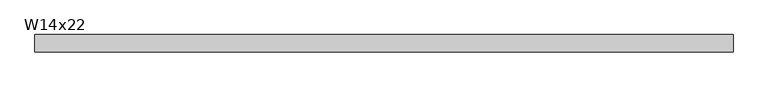
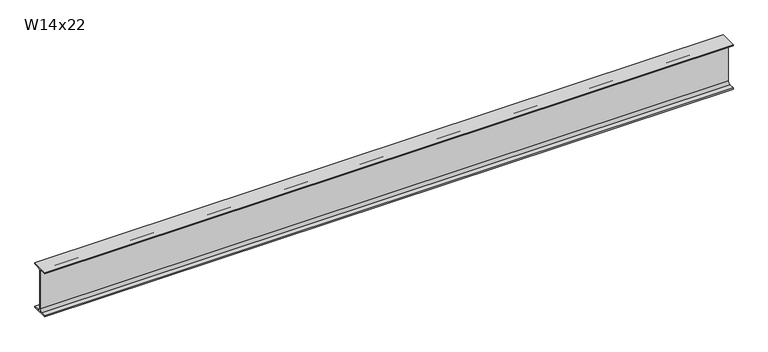
"""IFC4 building model written with IfcOpenShell, lengths in millimetres: beam geometry, W14x22."""

from ifc_helpers import new_model, si_unit, point, frame, frame_2d, origin, place, context, project, spatial, polyline, circle_curve, trimmed, segment, composite_curve, outline, extrude, source, transform, mapped, element, save


def w14x22_d169bc35(model_context):
    return source(origin(), model_context, "Body", "SweptSolid", [
        extrude(outline(composite_curve([segment(polyline([(63.5, -165.481), (63.5, -173.99), (-63.5, -173.99), (-63.5, -165.481), (-21.3995, -165.481)]), True, "CONTINUOUS"), segment(trimmed(circle_curve(frame_2d((-21.3995, -147.0025)), 18.4785), [point((-21.3995, -165.481))], [point((-2.921, -147.0025))], True, "CARTESIAN"), True, "CONTINUOUS"), segment(polyline([(-2.921, -147.0025), (-2.921, 147.0025)]), True, "CONTINUOUS"), segment(trimmed(circle_curve(frame_2d((-21.3995, 147.0025)), 18.4785), [point((-2.921, 147.0025))], [point((-21.3995, 165.481))], True, "CARTESIAN"), True, "CONTINUOUS"), segment(polyline([(-21.3995, 165.481), (-63.5, 165.481), (-63.5, 173.99), (63.5, 173.99), (63.5, 165.481), (21.3995, 165.481)]), True, "CONTINUOUS"), segment(trimmed(circle_curve(frame_2d((21.3995, 147.0025)), 18.4785), [point((21.3995, 165.481))], [point((2.921, 147.0025))], True, "CARTESIAN"), True, "CONTINUOUS"), segment(polyline([(2.921, 147.0025), (2.921, -147.0025)]), True, "CONTINUOUS"), segment(trimmed(circle_curve(frame_2d((21.3995, -147.0025)), 18.4785), [point((2.921, -147.0025))], [point((21.3995, -165.481))], True, "CARTESIAN"), True, "CONTINUOUS"), segment(polyline([(21.3995, -165.481), (63.5, -165.481)]), True, "CONTINUOUS")], self_intersect=False)), frame((-2516.2270462, 0.0, 0.0), z_axis=(1.0, 0.0, 0.0), x_axis=(0.0, 1.0, 0.0)), (0.0, 0.0, 1.0), 5111.7893653),
    ])


if __name__ == "__main__":
    model = new_model("IFC4")
    model_context = context("Model", 3, world=origin())
    ifc_project = project(units=[si_unit("LENGTHUNIT", "METRE", prefix="MILLI")], contexts=[model_context])
    site = spatial("IfcSite", under=ifc_project)
    building = spatial("IfcBuilding", under=site)
    placement = place(None, origin())
    w14x22_shape = w14x22_d169bc35(model_context)
    element("IfcBeam", 1, ObjectType="W14x22", at=placement, inside=building, context=model_context, shape_type="MappedRepresentation", body=[
        mapped(w14x22_shape, transform((0.0, 0.0, 0.0), x_axis=(1.0, 0.0, 0.0), y_axis=(0.0, 1.0, 0.0), z_axis=(0.0, 0.0, 1.0))),
    ])
    save(model, "model.ifc")
